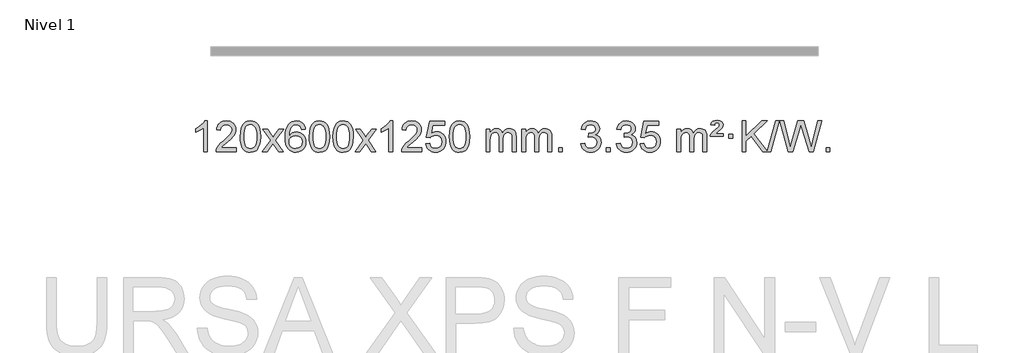
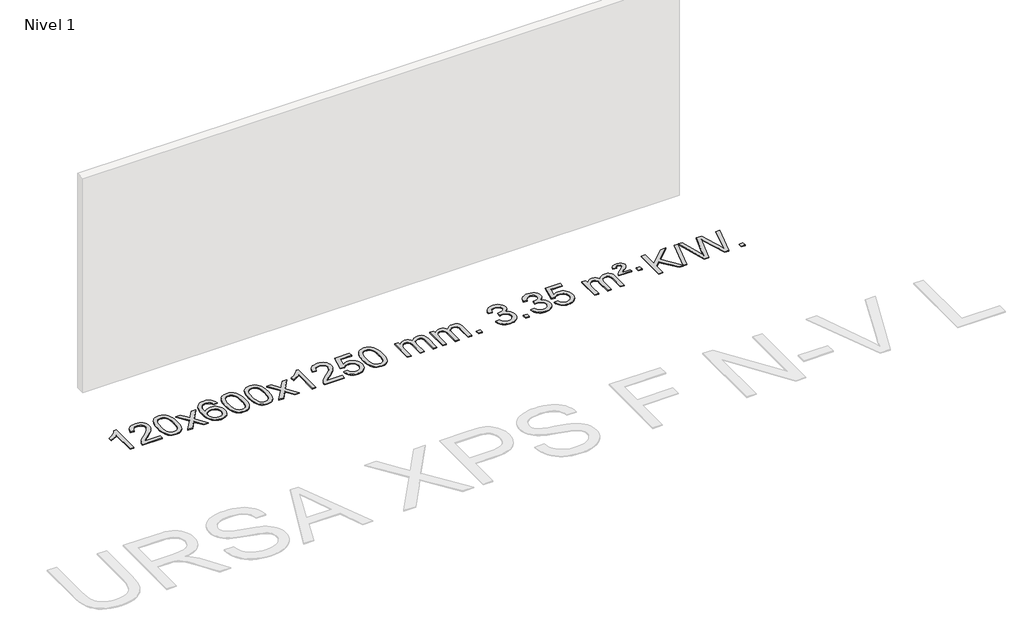
# One storey, part 2 of 9: 1 proxy.
"""IFC4 building model written with IfcOpenShell, lengths in millimetres."""

from ifc_helpers import new_model, si_unit, origin, origin_with_axes, place, context, project, spatial, polyline, outline, extrude, element, save

model = new_model("IFC4")

# Units and contexts
model_context = context("Model", 3, world=origin())
ifc_project = project(units=[si_unit("LENGTHUNIT", "METRE", prefix="MILLI")], contexts=[model_context])

# Site, building, storey
site = spatial("IfcSite", under=ifc_project)
building = spatial("IfcBuilding", under=site)
storey = spatial("IfcBuildingStorey", under=building, Name="Nivel 1", Elevation=0.0)

# Proxy
placement = place(None, origin())
element("IfcBuildingElementProxy", 1, Name="Texto de modelo 1", ObjectType="Texto de modelo 1", at=placement, inside=storey, context=model_context, shape_type="SweptSolid", body=[
    extrude(outline(polyline([(-6575.4615788, -18411.579453), (-6625.6897338, -18411.579453), (-6625.6897338, -18098.4382987), (-6646.6590076, -18115.3976587), (-6673.2691385, -18132.3324932), (-6726.146044, -18157.6918254), (-6726.146044, -18110.2105225), (-6686.6968314, -18088.7507395), (-6652.520594, -18063.219729), (-6625.5793692, -18036.0700378), (-6607.8351943, -18009.7542124), (-6575.4615788, -18009.7542124), (-6575.4615788, -18411.579453)])), origin_with_axes(), (0.0, 0.0, 1.0), 10.0),
    extrude(outline(polyline([(-6198.7504157, -18361.3512979), (-6198.7504157, -18411.579453), (-6462.4482298, -18411.579453), (-6461.3445839, -18393.8965918), (-6457.0526273, -18376.9494945), (-6444.6672667, -18349.8856424), (-6426.5429471, -18323.6311307), (-6400.3252236, -18296.1503456), (-6363.6596514, -18265.4076736), (-6309.4583708, -18217.2641831), (-6276.9376024, -18181.7267824), (-6260.6772182, -18152.884834), (-6255.2570902, -18124.8277005), (-6260.3706499, -18099.6768347), (-6275.7113291, -18078.7688747), (-6299.292565, -18064.6789943), (-6329.1277948, -18059.9823675), (-6360.4590781, -18064.5686297), (-6384.8006034, -18078.3274163), (-6400.5091646, -18100.1796068), (-6405.9415554, -18129.0460807), (-6456.1697105, -18122.7675613), (-6451.8501627, -18096.838012), (-6443.9928164, -18074.1826125), (-6432.5976716, -18054.8013627), (-6417.6647283, -18038.6942627), (-6399.537343, -18026.0329907), (-6378.5588722, -18016.989225), (-6354.729316, -18011.5629655), (-6328.0486743, -18009.7542124), (-6301.1289093, -18011.7653006), (-6277.1705943, -18017.7985654), (-6256.1737295, -18027.8540066), (-6238.1383147, -18041.9316242), (-6223.6529611, -18058.9890861), (-6213.30628, -18077.9840598), (-6207.0982713, -18098.9165453), (-6205.0289351, -18121.7865427), (-6207.2607525, -18145.8092369), (-6213.9562048, -18169.4149983), (-6225.8387933, -18193.4254299), (-6243.6320191, -18218.6621347), (-6271.9957209, -18248.7916701), (-6315.5897374, -18287.4805933), (-6373.3717361, -18335.795762), (-6396.033267, -18361.3512979), (-6198.7504157, -18361.3512979)])), origin_with_axes(), (0.0, 0.0, 1.0), 10.0),
    extrude(outline(polyline([(-6148.5222606, -18213.9041943), (-6144.8311779, -18149.5861588), (-6133.7579299, -18098.2911459), (-6115.4128811, -18059.2343407), (-6103.5548181, -18044.0009605), (-6089.9063961, -18031.6309284), (-6074.4216298, -18022.0598651), (-6057.0545339, -18015.2233914), (-6016.6733536, -18009.7542124), (-5985.722215, -18012.991574), (-5958.0084381, -18022.7036586), (-5934.8318724, -18038.5103217), (-5917.4923677, -18060.0314184), (-5904.3957686, -18087.0830078), (-5893.94792, -18119.4811488), (-5887.1053149, -18160.6226186), (-5884.8244465, -18213.9041943), (-5888.478741, -18277.8543477), (-5899.4416244, -18329.0267333), (-5917.6763087, -18368.1203266), (-5929.5067805, -18383.3996922), (-5943.1460055, -18395.8341036), (-5958.6491659, -18405.4695462), (-5976.071444, -18412.3520052), (-6016.6733536, -18417.8579724), (-6044.3380796, -18415.4667394), (-6068.8635459, -18408.2930405), (-6090.2497526, -18396.3368757), (-6108.4966996, -18379.5982449), (-6126.0078825, -18349.3399508), (-6138.5158704, -18311.6381776), (-6146.0206631, -18266.4929255), (-6148.5222606, -18213.9041943)]), holes=[polyline([(-6098.2941056, -18213.8060924), (-6096.8225776, -18257.4706195), (-6092.4079936, -18292.8148822), (-6085.0503537, -18319.8388804), (-6074.7496579, -18338.5426142), (-6062.290721, -18351.2682656), (-6048.4583579, -18360.3580165), (-6033.2525688, -18365.8118671), (-6016.6733536, -18367.6298173), (-6000.0941383, -18365.8057357), (-5984.8883492, -18360.3334911), (-5971.0559862, -18351.2130833), (-5958.5970493, -18338.4445124), (-5948.2963534, -18319.7101217), (-5940.9387135, -18292.6922549), (-5936.5241295, -18257.3909118), (-5935.0526016, -18213.8060924), (-5936.4750786, -18171.2973278), (-5940.7425098, -18136.5753989), (-5947.854895, -18109.6403055), (-5957.8122343, -18090.4920476), (-5970.0627048, -18077.1440625), (-5984.0544833, -18067.6097875), (-5999.78757, -18061.8892225), (-6017.2619648, -18059.9823675), (-6033.7553409, -18061.6623619), (-6048.7036126, -18066.7023452), (-6062.10678, -18075.1023175), (-6073.9648429, -18086.8622786), (-6084.6088953, -18107.708925), (-6092.2117899, -18135.8151094), (-6096.7735266, -18171.1808319), (-6098.2941056, -18213.8060924)])]), origin_with_axes(), (0.0, 0.0, 1.0), 10.0),
    extrude(outline(polyline([(-5859.7103689, -18411.579453), (-5752.3869282, -18263.2494325), (-5853.4318496, -18116.4890419), (-5793.0011005, -18116.4890419), (-5744.2444734, -18187.122385), (-5721.4848406, -18220.4770192), (-5701.7663657, -18193.2047007), (-5646.2407099, -18116.4890419), (-5585.8099608, -18116.4890419), (-5691.9561791, -18263.2494325), (-5589.7340354, -18411.579453), (-5650.1647845, -18411.579453), (-5711.6746541, -18322.4048574), (-5722.9563686, -18306.1199477), (-5799.2796199, -18411.579453), (-5859.7103689, -18411.579453)])), origin_with_axes(), (0.0, 0.0, 1.0), 10.0),
    extrude(outline(polyline([(-5300.9221437, -18116.4890419), (-5351.1502988, -18122.7675613), (-5359.2437027, -18097.874213), (-5370.1820607, -18080.8780648), (-5392.9662189, -18065.2062918), (-5420.5083176, -18059.9823675), (-5443.8565616, -18063.0235253), (-5465.8313794, -18072.1469988), (-5484.7037258, -18091.3627017), (-5500.1179814, -18117.8134171), (-5510.5290419, -18155.227016), (-5514.3918028, -18207.3313693), (-5494.2441322, -18183.8237098), (-5470.0988106, -18167.2567573), (-5443.3047386, -18157.434308), (-5415.2108169, -18154.1601582), (-5391.077758, -18156.398107), (-5368.8086346, -18163.1119534), (-5348.4034466, -18174.3016975), (-5329.862194, -18189.9673391), (-5314.4540698, -18209.1769106), (-5303.4482668, -18230.9984443), (-5296.844785, -18255.4319401), (-5294.6436244, -18282.4773982), (-5298.7884282, -18318.4439945), (-5311.2228396, -18351.786366), (-5330.9167891, -18380.0642287), (-5356.840207, -18400.8372987), (-5387.815871, -18413.602804), (-5422.6665587, -18417.8579724), (-5452.6090874, -18415.0375437), (-5479.6514797, -18406.5762579), (-5503.7937357, -18392.4741147), (-5525.0358552, -18372.7311143), (-5542.3539001, -18346.5133908), (-5554.7239322, -18312.9870783), (-5562.1459515, -18272.1521768), (-5564.6199579, -18224.0086864), (-5561.8731057, -18170.0342663), (-5553.632549, -18123.9693092), (-5539.8982878, -18085.8138149), (-5520.6703222, -18055.5677835), (-5499.8298072, -18035.5243462), (-5475.6660915, -18021.2076052), (-5448.179175, -18012.6175606), (-5417.3690579, -18009.7542124), (-5394.2354118, -18011.5261773), (-5373.2967949, -18016.8420722), (-5354.5532073, -18025.7018969), (-5338.0046489, -18038.1056515), (-5324.0987094, -18053.6364031), (-5313.2829788, -18071.8772186), (-5305.5574569, -18092.8280983), (-5300.9221437, -18116.4890419)]), holes=[polyline([(-5514.3918028, -18281.6925832), (-5511.485535, -18303.9494439), (-5502.7667318, -18325.2007605), (-5489.2286743, -18343.472233), (-5471.8646442, -18356.7895612), (-5450.9076332, -18364.9197533), (-5426.5906333, -18367.6298173), (-5393.4444655, -18362.0134855), (-5379.5293291, -18354.9930708), (-5367.3861575, -18345.1644901), (-5357.5361171, -18332.9262824), (-5350.500374, -18318.6769865), (-5344.8717794, -18284.1451299), (-5350.4267976, -18250.9989621), (-5357.3705702, -18237.3781312), (-5367.0918519, -18225.725469), (-5379.2718117, -18216.3904634), (-5393.5916183, -18209.7226022), (-5428.6507725, -18204.3883133), (-5461.7478893, -18209.7226022), (-5489.4248781, -18225.725469), (-5500.3479076, -18237.2248471), (-5508.1500716, -18250.3858254), (-5512.83137, -18265.2084042), (-5514.3918028, -18281.6925832)])]), origin_with_axes(), (0.0, 0.0, 1.0), 10.0),
    extrude(outline(polyline([(-5250.6939887, -18213.9041943), (-5247.002906, -18149.5861588), (-5235.9296579, -18098.2911459), (-5217.5846091, -18059.2343407), (-5205.7265461, -18044.0009605), (-5192.0781241, -18031.6309284), (-5176.5933578, -18022.0598651), (-5159.2262619, -18015.2233914), (-5118.8450816, -18009.7542124), (-5087.8939431, -18012.991574), (-5060.1801661, -18022.7036586), (-5037.0036004, -18038.5103217), (-5019.6640957, -18060.0314184), (-5006.5674967, -18087.0830078), (-4996.119648, -18119.4811488), (-4989.2770429, -18160.6226186), (-4986.9961745, -18213.9041943), (-4990.650469, -18277.8543477), (-5001.6133525, -18329.0267333), (-5019.8480367, -18368.1203266), (-5031.6785085, -18383.3996922), (-5045.3177335, -18395.8341036), (-5060.8208939, -18405.4695462), (-5078.2431721, -18412.3520052), (-5118.8450816, -18417.8579724), (-5146.5098076, -18415.4667394), (-5171.035274, -18408.2930405), (-5192.4214806, -18396.3368757), (-5210.6684276, -18379.5982449), (-5228.1796106, -18349.3399508), (-5240.6875984, -18311.6381776), (-5248.1923911, -18266.4929255), (-5250.6939887, -18213.9041943)]), holes=[polyline([(-5200.4658336, -18213.8060924), (-5198.9943056, -18257.4706195), (-5194.5797217, -18292.8148822), (-5187.2220818, -18319.8388804), (-5176.9213859, -18338.5426142), (-5164.462449, -18351.2682656), (-5150.630086, -18360.3580165), (-5135.4242968, -18365.8118671), (-5118.8450816, -18367.6298173), (-5102.2658663, -18365.8057357), (-5087.0600772, -18360.3334911), (-5073.2277142, -18351.2130833), (-5060.7687773, -18338.4445124), (-5050.4680814, -18319.7101217), (-5043.1104415, -18292.6922549), (-5038.6958576, -18257.3909118), (-5037.2243296, -18213.8060924), (-5038.6468066, -18171.2973278), (-5042.9142378, -18136.5753989), (-5050.026623, -18109.6403055), (-5059.9839624, -18090.4920476), (-5072.2344328, -18077.1440625), (-5086.2262114, -18067.6097875), (-5101.959298, -18061.8892225), (-5119.4336928, -18059.9823675), (-5135.9270689, -18061.6623619), (-5150.8753406, -18066.7023452), (-5164.278508, -18075.1023175), (-5176.136571, -18086.8622786), (-5186.7806234, -18107.708925), (-5194.3835179, -18135.8151094), (-5198.9452547, -18171.1808319), (-5200.4658336, -18213.8060924)])]), origin_with_axes(), (0.0, 0.0, 1.0), 10.0),
    extrude(outline(polyline([(-4943.0465388, -18213.9041943), (-4939.3554561, -18149.5861588), (-4928.2822081, -18098.2911459), (-4909.9371593, -18059.2343407), (-4898.0790963, -18044.0009605), (-4884.4306743, -18031.6309284), (-4868.945908, -18022.0598651), (-4851.5788121, -18015.2233914), (-4811.1976318, -18009.7542124), (-4780.2464932, -18012.991574), (-4752.5327163, -18022.7036586), (-4729.3561506, -18038.5103217), (-4712.0166459, -18060.0314184), (-4698.9200468, -18087.0830078), (-4688.4721982, -18119.4811488), (-4681.6295931, -18160.6226186), (-4679.3487247, -18213.9041943), (-4683.0030192, -18277.8543477), (-4693.9659026, -18329.0267333), (-4712.2005869, -18368.1203266), (-4724.0310587, -18383.3996922), (-4737.6702837, -18395.8341036), (-4753.1734441, -18405.4695462), (-4770.5957222, -18412.3520052), (-4811.1976318, -18417.8579724), (-4838.8623578, -18415.4667394), (-4863.3878241, -18408.2930405), (-4884.7740308, -18396.3368757), (-4903.0209778, -18379.5982449), (-4920.5321607, -18349.3399508), (-4933.0401486, -18311.6381776), (-4940.5449413, -18266.4929255), (-4943.0465388, -18213.9041943)]), holes=[polyline([(-4892.8183838, -18213.8060924), (-4891.3468558, -18257.4706195), (-4886.9322718, -18292.8148822), (-4879.5746319, -18319.8388804), (-4869.2739361, -18338.5426142), (-4856.8149992, -18351.2682656), (-4842.9826361, -18360.3580165), (-4827.776847, -18365.8118671), (-4811.1976318, -18367.6298173), (-4794.6184165, -18365.8057357), (-4779.4126274, -18360.3334911), (-4765.5802644, -18351.2130833), (-4753.1213275, -18338.4445124), (-4742.8206316, -18319.7101217), (-4735.4629917, -18292.6922549), (-4731.0484077, -18257.3909118), (-4729.5768798, -18213.8060924), (-4730.9993568, -18171.2973278), (-4735.266788, -18136.5753989), (-4742.3791732, -18109.6403055), (-4752.3365125, -18090.4920476), (-4764.586983, -18077.1440625), (-4778.5787615, -18067.6097875), (-4794.3118482, -18061.8892225), (-4811.786243, -18059.9823675), (-4828.2796191, -18061.6623619), (-4843.2278908, -18066.7023452), (-4856.6310582, -18075.1023175), (-4868.4891211, -18086.8622786), (-4879.1331735, -18107.708925), (-4886.7360681, -18135.8151094), (-4891.2978048, -18171.1808319), (-4892.8183838, -18213.8060924)])]), origin_with_axes(), (0.0, 0.0, 1.0), 10.0),
    extrude(outline(polyline([(-4654.2346472, -18411.579453), (-4546.9112064, -18263.2494325), (-4647.9561278, -18116.4890419), (-4587.5253787, -18116.4890419), (-4538.7687516, -18187.122385), (-4516.0091188, -18220.4770192), (-4496.2906439, -18193.2047007), (-4440.7649881, -18116.4890419), (-4380.334239, -18116.4890419), (-4486.4804574, -18263.2494325), (-4384.2583136, -18411.579453), (-4444.6890627, -18411.579453), (-4506.1989323, -18322.4048574), (-4517.4806468, -18306.1199477), (-4593.8038981, -18411.579453), (-4654.2346472, -18411.579453)])), origin_with_axes(), (0.0, 0.0, 1.0), 10.0),
    extrude(outline(polyline([(-4164.5101352, -18411.579453), (-4214.7382902, -18411.579453), (-4214.7382902, -18098.4382987), (-4235.707564, -18115.3976587), (-4262.317695, -18132.3324932), (-4315.1946004, -18157.6918254), (-4315.1946004, -18110.2105225), (-4275.7453878, -18088.7507395), (-4241.5691504, -18063.219729), (-4214.6279257, -18036.0700378), (-4196.8837508, -18009.7542124), (-4164.5101352, -18009.7542124), (-4164.5101352, -18411.579453)])), origin_with_axes(), (0.0, 0.0, 1.0), 10.0),
    extrude(outline(polyline([(-3787.7989721, -18361.3512979), (-3787.7989721, -18411.579453), (-4051.4967863, -18411.579453), (-4050.3931403, -18393.8965918), (-4046.1011837, -18376.9494945), (-4033.7158232, -18349.8856424), (-4015.5915035, -18323.6311307), (-3989.37378, -18296.1503456), (-3952.7082078, -18265.4076736), (-3898.5069272, -18217.2641831), (-3865.9861588, -18181.7267824), (-3849.7257746, -18152.884834), (-3844.3056466, -18124.8277005), (-3849.4192063, -18099.6768347), (-3864.7598855, -18078.7688747), (-3888.3411214, -18064.6789943), (-3918.1763512, -18059.9823675), (-3949.5076345, -18064.5686297), (-3973.8491598, -18078.3274163), (-3989.557721, -18100.1796068), (-3994.9901118, -18129.0460807), (-4045.2182669, -18122.7675613), (-4040.8987191, -18096.838012), (-4033.0413728, -18074.1826125), (-4021.646228, -18054.8013627), (-4006.7132847, -18038.6942627), (-3988.5858994, -18026.0329907), (-3967.6074286, -18016.989225), (-3943.7778724, -18011.5629655), (-3917.0972307, -18009.7542124), (-3890.1774657, -18011.7653006), (-3866.2191508, -18017.7985654), (-3845.2222859, -18027.8540066), (-3827.1868711, -18041.9316242), (-3812.7015175, -18058.9890861), (-3802.3548364, -18077.9840598), (-3796.1468277, -18098.9165453), (-3794.0774915, -18121.7865427), (-3796.3093089, -18145.8092369), (-3803.0047612, -18169.4149983), (-3814.8873497, -18193.4254299), (-3832.6805755, -18218.6621347), (-3861.0442774, -18248.7916701), (-3904.6382938, -18287.4805933), (-3962.4202925, -18335.795762), (-3985.0818234, -18361.3512979), (-3787.7989721, -18361.3512979)])), origin_with_axes(), (0.0, 0.0, 1.0), 10.0),
    extrude(outline(polyline([(-3737.570817, -18304.8446235), (-3687.342662, -18298.5661041), (-3678.1210866, -18328.7201649), (-3662.0323807, -18350.3148381), (-3639.1501206, -18363.3010725), (-3609.5478827, -18367.6298173), (-3590.418019, -18366.1245668), (-3573.5444981, -18361.6088153), (-3558.9273202, -18354.0825628), (-3546.5664851, -18343.5458094), (-3536.7379045, -18330.519721), (-3529.7174898, -18315.5254641), (-3524.101158, -18279.6324441), (-3529.3618705, -18245.8363514), (-3535.9377612, -18231.9181493), (-3545.1440081, -18219.9865099), (-3557.0112681, -18210.4154467), (-3571.5701981, -18203.5789729), (-3608.7630678, -18198.1097939), (-3633.1291186, -18200.2925604), (-3652.8598563, -18206.8408599), (-3668.6174684, -18216.8717757), (-3681.0641426, -18229.5023908), (-3731.2922977, -18223.2238715), (-3687.342662, -18016.0327318), (-3492.708561, -18016.0327318), (-3492.708561, -18066.2608869), (-3646.7284897, -18066.2608869), (-3668.2127982, -18176.919791), (-3650.4870174, -18164.2155994), (-3632.332041, -18155.1411769), (-3613.7478688, -18149.6965234), (-3594.734501, -18147.8816388), (-3570.273414, -18150.1318504), (-3547.8050212, -18156.882485), (-3527.3293225, -18168.1335427), (-3508.8463179, -18183.8850234), (-3493.5454926, -18203.1743027), (-3482.6163316, -18225.038756), (-3476.0588351, -18249.4783832), (-3473.8730029, -18276.4931844), (-3475.8411716, -18302.5147042), (-3481.7456776, -18326.7213394), (-3491.586521, -18349.1130902), (-3505.3637017, -18369.6899565), (-3526.2348735, -18390.7634634), (-3550.5886616, -18405.8159684), (-3578.4250659, -18414.8474714), (-3609.7440864, -18417.8579724), (-3635.6644387, -18415.9235262), (-3659.077062, -18410.1201877), (-3679.9819564, -18400.447957), (-3698.3791218, -18386.9068338), (-3713.6860785, -18370.1712688), (-3725.3203466, -18350.915712), (-3733.2819261, -18329.1401636), (-3737.570817, -18304.8446235)])), origin_with_axes(), (0.0, 0.0, 1.0), 10.0),
    extrude(outline(polyline([(-3429.9233672, -18213.9041943), (-3426.2322845, -18149.5861588), (-3415.1590365, -18098.2911459), (-3396.8139876, -18059.2343407), (-3384.9559247, -18044.0009605), (-3371.3075026, -18031.6309284), (-3355.8227363, -18022.0598651), (-3338.4556405, -18015.2233914), (-3298.0744601, -18009.7542124), (-3267.1233216, -18012.991574), (-3239.4095446, -18022.7036586), (-3216.2329789, -18038.5103217), (-3198.8934742, -18060.0314184), (-3185.7968752, -18087.0830078), (-3175.3490265, -18119.4811488), (-3168.5064214, -18160.6226186), (-3166.2255531, -18213.9041943), (-3169.8798475, -18277.8543477), (-3180.842731, -18329.0267333), (-3199.0774152, -18368.1203266), (-3210.9078871, -18383.3996922), (-3224.547112, -18395.8341036), (-3240.0502724, -18405.4695462), (-3257.4725506, -18412.3520052), (-3298.0744601, -18417.8579724), (-3325.7391862, -18415.4667394), (-3350.2646525, -18408.2930405), (-3371.6508592, -18396.3368757), (-3389.8978061, -18379.5982449), (-3407.4089891, -18349.3399508), (-3419.9169769, -18311.6381776), (-3427.4217696, -18266.4929255), (-3429.9233672, -18213.9041943)]), holes=[polyline([(-3379.6952121, -18213.8060924), (-3378.2236842, -18257.4706195), (-3373.8091002, -18292.8148822), (-3366.4514603, -18319.8388804), (-3356.1507644, -18338.5426142), (-3343.6918275, -18351.2682656), (-3329.8594645, -18360.3580165), (-3314.6536754, -18365.8118671), (-3298.0744601, -18367.6298173), (-3281.4952449, -18365.8057357), (-3266.2894558, -18360.3334911), (-3252.4570927, -18351.2130833), (-3239.9981558, -18338.4445124), (-3229.69746, -18319.7101217), (-3222.3398201, -18292.6922549), (-3217.9252361, -18257.3909118), (-3216.4537081, -18213.8060924), (-3217.8761852, -18171.2973278), (-3222.1436163, -18136.5753989), (-3229.2560016, -18109.6403055), (-3239.2133409, -18090.4920476), (-3251.4638113, -18077.1440625), (-3265.4555899, -18067.6097875), (-3281.1886766, -18061.8892225), (-3298.6630713, -18059.9823675), (-3315.1564474, -18061.6623619), (-3330.1047192, -18066.7023452), (-3343.5078865, -18075.1023175), (-3355.3659495, -18086.8622786), (-3366.0100019, -18107.708925), (-3373.6128965, -18135.8151094), (-3378.1746332, -18171.1808319), (-3379.6952121, -18213.8060924)])]), origin_with_axes(), (0.0, 0.0, 1.0), 10.0),
    extrude(outline(polyline([(-2952.755894, -18411.579453), (-2952.755894, -18116.4890419), (-2902.5277389, -18116.4890419), (-2902.5277389, -18165.0494653), (-2887.4200517, -18142.7435537), (-2867.9958823, -18125.2691589), (-2844.9174185, -18113.9751816), (-2818.8468478, -18110.2105225), (-2790.9123416, -18114.048758), (-2768.5205908, -18125.5634645), (-2751.7942228, -18143.9943524), (-2740.8558648, -18168.5811324), (-2722.5476041, -18143.0439906), (-2701.6641696, -18124.803175), (-2678.205561, -18113.8586857), (-2652.1717785, -18110.2105225), (-2632.0639617, -18111.7280358), (-2614.414823, -18116.2805755), (-2599.2243623, -18123.8681416), (-2586.4925796, -18134.4907342), (-2576.4279413, -18148.2709806), (-2569.238914, -18165.3315082), (-2564.9254976, -18185.6723168), (-2563.4876922, -18209.2934066), (-2563.4876922, -18411.579453), (-2613.7158472, -18411.579453), (-2613.7158472, -18230.875817), (-2614.8808069, -18205.8230531), (-2618.3756858, -18188.9372695), (-2624.9239854, -18177.3735121), (-2635.2492067, -18168.2868268), (-2648.5297467, -18162.4007149), (-2663.9440023, -18160.4386776), (-2691.1550072, -18165.4663982), (-2713.3382915, -18180.54956), (-2721.9436645, -18192.1194488), (-2728.0903595, -18206.7182326), (-2733.0077155, -18245.0024856), (-2733.0077155, -18411.579453), (-2783.2358706, -18411.579453), (-2783.2358706, -18225.2840106), (-2786.1421384, -18196.8835206), (-2794.8609417, -18176.6254854), (-2810.2016209, -18164.4853796), (-2832.9735164, -18160.4386776), (-2852.3241093, -18163.1364789), (-2870.1541233, -18171.2298828), (-2884.8694032, -18184.5226856), (-2894.8757934, -18202.8186835), (-2900.6147525, -18228.2025411), (-2902.5277389, -18262.7589232), (-2902.5277389, -18411.579453), (-2952.755894, -18411.579453)])), origin_with_axes(), (0.0, 0.0, 1.0), 10.0),
    extrude(outline(polyline([(-2488.1454596, -18411.579453), (-2488.1454596, -18116.4890419), (-2437.9173045, -18116.4890419), (-2437.9173045, -18165.0494653), (-2422.8096172, -18142.7435537), (-2403.3854479, -18125.2691589), (-2380.306984, -18113.9751816), (-2354.2364133, -18110.2105225), (-2326.3019071, -18114.048758), (-2303.9101564, -18125.5634645), (-2287.1837883, -18143.9943524), (-2276.2454303, -18168.5811324), (-2257.9371697, -18143.0439906), (-2237.0537351, -18124.803175), (-2213.5951266, -18113.8586857), (-2187.561344, -18110.2105225), (-2167.4535273, -18111.7280358), (-2149.8043886, -18116.2805755), (-2134.6139279, -18123.8681416), (-2121.8821452, -18134.4907342), (-2111.8175069, -18148.2709806), (-2104.6284796, -18165.3315082), (-2100.3150632, -18185.6723168), (-2098.8772577, -18209.2934066), (-2098.8772577, -18411.579453), (-2149.1054128, -18411.579453), (-2149.1054128, -18230.875817), (-2150.2703724, -18205.8230531), (-2153.7652514, -18188.9372695), (-2160.3135509, -18177.3735121), (-2170.6387722, -18168.2868268), (-2183.9193123, -18162.4007149), (-2199.3335679, -18160.4386776), (-2226.5445728, -18165.4663982), (-2248.7278571, -18180.54956), (-2257.3332301, -18192.1194488), (-2263.4799251, -18206.7182326), (-2268.3972811, -18245.0024856), (-2268.3972811, -18411.579453), (-2318.6254362, -18411.579453), (-2318.6254362, -18225.2840106), (-2321.5317039, -18196.8835206), (-2330.2505072, -18176.6254854), (-2345.5911864, -18164.4853796), (-2368.3630819, -18160.4386776), (-2387.7136749, -18163.1364789), (-2405.5436889, -18171.2298828), (-2420.2589687, -18184.5226856), (-2430.265359, -18202.8186835), (-2436.0043181, -18228.2025411), (-2437.9173045, -18262.7589232), (-2437.9173045, -18411.579453), (-2488.1454596, -18411.579453)])), origin_with_axes(), (0.0, 0.0, 1.0), 10.0),
    extrude(outline(polyline([(-2010.9779863, -18411.579453), (-2010.9779863, -18361.3512979), (-1960.7498313, -18361.3512979), (-1960.7498313, -18411.579453), (-2010.9779863, -18411.579453)])), origin_with_axes(), (0.0, 0.0, 1.0), 10.0),
    extrude(outline(polyline([(-1722.1660947, -18304.8446235), (-1671.9379396, -18298.5661041), (-1660.6930133, -18330.1303793), (-1644.2241626, -18351.4430095), (-1621.7220472, -18363.5831154), (-1592.3773268, -18367.6298173), (-1557.943572, -18362.0625364), (-1543.6697506, -18355.1034354), (-1531.3579665, -18345.3606939), (-1514.3618183, -18320.4428201), (-1508.6964356, -18290.2274455), (-1514.3127674, -18261.5449126), (-1531.1617628, -18238.2825078), (-1556.6682478, -18222.8682522), (-1588.2570484, -18217.730167), (-1623.4756181, -18223.2238715), (-1617.8838118, -18172.9957164), (-1609.8394588, -18173.5843276), (-1579.7467116, -18169.979084), (-1552.842275, -18159.1633534), (-1541.769027, -18150.9841103), (-1533.8595641, -18140.8673555), (-1529.1138863, -18128.8130888), (-1527.5319937, -18114.8213102), (-1532.118256, -18093.1285352), (-1545.8770426, -18075.5315131), (-1566.8708418, -18063.8696539), (-1593.1621417, -18059.9823675), (-1619.5024925, -18063.9064421), (-1641.035852, -18075.6786659), (-1656.7566759, -18095.299039), (-1665.6594202, -18122.7675613), (-1715.8875753, -18116.4890419), (-1709.9340183, -18092.5092672), (-1701.0987191, -18071.3867093), (-1689.3816775, -18053.1213683), (-1674.7828937, -18037.713244), (-1657.76222, -18025.4811677), (-1638.7795091, -18016.7439703), (-1617.8347608, -18011.5016519), (-1594.9279753, -18009.7542124), (-1563.3514373, -18013.2000404), (-1534.3500734, -18023.5375245), (-1509.8981834, -18039.8469596), (-1491.9700675, -18061.2086408), (-1480.9703959, -18085.8199463), (-1477.3038387, -18111.8782543), (-1480.7864549, -18136.1584659), (-1491.2343036, -18158.1823347), (-1508.5002319, -18176.9443165), (-1532.437087, -18191.4388671), (-1500.9954392, -18204.1430586), (-1477.6962461, -18225.77452), (-1463.2752719, -18255.1560286), (-1458.4682805, -18291.1103623), (-1460.8717762, -18316.5923218), (-1468.0822633, -18340.0631931), (-1480.0997418, -18361.5229762), (-1496.9242117, -18380.971671), (-1517.4213702, -18397.1094278), (-1540.4569145, -18408.636397), (-1566.0308445, -18415.5525785), (-1594.1431603, -18417.8579724), (-1619.5515435, -18415.8898037), (-1642.7035837, -18409.9852977), (-1663.599281, -18400.1444543), (-1682.2386355, -18386.3672736), (-1697.8674889, -18369.4630959), (-1709.7316832, -18350.2412617), (-1717.8312185, -18328.7017708), (-1722.1660947, -18304.8446235)])), origin_with_axes(), (0.0, 0.0, 1.0), 10.0),
    extrude(outline(polyline([(-1389.4045673, -18411.579453), (-1389.4045673, -18361.3512979), (-1339.1764122, -18361.3512979), (-1339.1764122, -18411.579453), (-1389.4045673, -18411.579453)])), origin_with_axes(), (0.0, 0.0, 1.0), 10.0),
    extrude(outline(polyline([(-1257.5556602, -18304.8446235), (-1207.3275051, -18298.5661041), (-1196.0825788, -18330.1303793), (-1179.6137282, -18351.4430095), (-1157.1116128, -18363.5831154), (-1127.7668923, -18367.6298173), (-1093.3331376, -18362.0625364), (-1079.0593162, -18355.1034354), (-1066.7475321, -18345.3606939), (-1049.7513839, -18320.4428201), (-1044.0860012, -18290.2274455), (-1049.7023329, -18261.5449126), (-1066.5513283, -18238.2825078), (-1092.0578133, -18222.8682522), (-1123.646614, -18217.730167), (-1158.8651836, -18223.2238715), (-1153.2733773, -18172.9957164), (-1145.2290244, -18173.5843276), (-1115.1362772, -18169.979084), (-1088.2318406, -18159.1633534), (-1077.1585925, -18150.9841103), (-1069.2491296, -18140.8673555), (-1064.5034519, -18128.8130888), (-1062.9215593, -18114.8213102), (-1067.5078215, -18093.1285352), (-1081.2666081, -18075.5315131), (-1102.2604073, -18063.8696539), (-1128.5517072, -18059.9823675), (-1154.8920581, -18063.9064421), (-1176.4254176, -18075.6786659), (-1192.1462415, -18095.299039), (-1201.0489858, -18122.7675613), (-1251.2771408, -18116.4890419), (-1245.3235839, -18092.5092672), (-1236.4882846, -18071.3867093), (-1224.7712431, -18053.1213683), (-1210.1724592, -18037.713244), (-1193.1517856, -18025.4811677), (-1174.1690746, -18016.7439703), (-1153.2243264, -18011.5016519), (-1130.3175408, -18009.7542124), (-1098.7410029, -18013.2000404), (-1069.7396389, -18023.5375245), (-1045.287749, -18039.8469596), (-1027.3596331, -18061.2086408), (-1016.3599614, -18085.8199463), (-1012.6934042, -18111.8782543), (-1016.1760205, -18136.1584659), (-1026.6238691, -18158.1823347), (-1043.8897974, -18176.9443165), (-1067.8266526, -18191.4388671), (-1036.3850047, -18204.1430586), (-1013.0858117, -18225.77452), (-998.6648375, -18255.1560286), (-993.8578461, -18291.1103623), (-996.2613418, -18316.5923218), (-1003.4718289, -18340.0631931), (-1015.4893074, -18361.5229762), (-1032.3137773, -18380.971671), (-1052.8109358, -18397.1094278), (-1075.8464801, -18408.636397), (-1101.4204101, -18415.5525785), (-1129.5327259, -18417.8579724), (-1154.941109, -18415.8898037), (-1178.0931493, -18409.9852977), (-1198.9888466, -18400.1444543), (-1217.628201, -18386.3672736), (-1233.2570544, -18369.4630959), (-1245.1212488, -18350.2412617), (-1253.220784, -18328.7017708), (-1257.5556602, -18304.8446235)])), origin_with_axes(), (0.0, 0.0, 1.0), 10.0),
    extrude(outline(polyline([(-949.9082104, -18304.8446235), (-899.6800553, -18298.5661041), (-890.45848, -18328.7201649), (-874.369774, -18350.3148381), (-851.4875139, -18363.3010725), (-821.8852761, -18367.6298173), (-802.7554123, -18366.1245668), (-785.8818915, -18361.6088153), (-771.2647135, -18354.0825628), (-758.9038785, -18343.5458094), (-749.0752979, -18330.519721), (-742.0548831, -18315.5254641), (-736.4385513, -18279.6324441), (-741.6992639, -18245.8363514), (-748.2751545, -18231.9181493), (-757.4814014, -18219.9865099), (-769.3486615, -18210.4154467), (-783.9075914, -18203.5789729), (-821.1004611, -18198.1097939), (-845.466512, -18200.2925604), (-865.1972496, -18206.8408599), (-880.9548618, -18216.8717757), (-893.4015359, -18229.5023908), (-943.629691, -18223.2238715), (-899.6800553, -18016.0327318), (-705.0459544, -18016.0327318), (-705.0459544, -18066.2608869), (-859.065883, -18066.2608869), (-880.5501916, -18176.919791), (-862.8244108, -18164.2155994), (-844.6694343, -18155.1411769), (-826.0852622, -18149.6965234), (-807.0718944, -18147.8816388), (-782.6108074, -18150.1318504), (-760.1424145, -18156.882485), (-739.6667158, -18168.1335427), (-721.1837113, -18183.8850234), (-705.8828859, -18203.1743027), (-694.953725, -18225.038756), (-688.3962284, -18249.4783832), (-686.2103962, -18276.4931844), (-688.1785649, -18302.5147042), (-694.0830709, -18326.7213394), (-703.9239143, -18349.1130902), (-717.701095, -18369.6899565), (-738.5722669, -18390.7634634), (-762.926055, -18405.8159684), (-790.7624593, -18414.8474714), (-822.0814798, -18417.8579724), (-848.001832, -18415.9235262), (-871.4144553, -18410.1201877), (-892.3193497, -18400.447957), (-910.7165152, -18386.9068338), (-926.0234719, -18370.1712688), (-937.6577399, -18350.915712), (-945.6193195, -18329.1401636), (-949.9082104, -18304.8446235)])), origin_with_axes(), (0.0, 0.0, 1.0), 10.0),
    extrude(outline(polyline([(-472.7407372, -18411.579453), (-472.7407372, -18116.4890419), (-422.5125821, -18116.4890419), (-422.5125821, -18165.0494653), (-407.4048948, -18142.7435537), (-387.9807255, -18125.2691589), (-364.9022617, -18113.9751816), (-338.8316909, -18110.2105225), (-310.8971848, -18114.048758), (-288.505434, -18125.5634645), (-271.7790659, -18143.9943524), (-260.840708, -18168.5811324), (-242.5324473, -18143.0439906), (-221.6490127, -18124.803175), (-198.1904042, -18113.8586857), (-172.1566217, -18110.2105225), (-152.0488049, -18111.7280358), (-134.3996662, -18116.2805755), (-119.2092055, -18123.8681416), (-106.4774228, -18134.4907342), (-96.4127845, -18148.2709806), (-89.2237572, -18165.3315082), (-84.9103408, -18185.6723168), (-83.4725353, -18209.2934066), (-83.4725353, -18411.579453), (-133.7006904, -18411.579453), (-133.7006904, -18230.875817), (-134.8656501, -18205.8230531), (-138.360529, -18188.9372695), (-144.9088285, -18177.3735121), (-155.2340499, -18168.2868268), (-168.5145899, -18162.4007149), (-183.9288455, -18160.4386776), (-211.1398504, -18165.4663982), (-233.3231347, -18180.54956), (-241.9285077, -18192.1194488), (-248.0752027, -18206.7182326), (-252.9925587, -18245.0024856), (-252.9925587, -18411.579453), (-303.2207138, -18411.579453), (-303.2207138, -18225.2840106), (-306.1269816, -18196.8835206), (-314.8457848, -18176.6254854), (-330.186464, -18164.4853796), (-352.9583595, -18160.4386776), (-372.3089525, -18163.1364789), (-390.1389665, -18171.2298828), (-404.8542463, -18184.5226856), (-414.8606366, -18202.8186835), (-420.5995957, -18228.2025411), (-422.5125821, -18262.7589232), (-422.5125821, -18411.579453), (-472.7407372, -18411.579453)])), origin_with_axes(), (0.0, 0.0, 1.0), 10.0),
    extrude(outline(polyline([(-39.5228997, -18210.6668327), (-35.6969269, -18194.8479069), (-27.3582683, -18178.9799302), (-5.8494344, -18153.8413272), (26.1072483, -18126.1030247), (70.2530877, -18088.726214), (77.3899984, -18077.1992448), (79.7689686, -18065.3779701), (77.8805077, -18053.2869152), (72.215125, -18043.5012541), (62.8463969, -18037.026531), (49.8478997, -18034.8682899), (37.4134883, -18036.4869707), (28.5597949, -18041.343013), (22.1341227, -18050.8098431), (16.9837748, -18066.2608869), (-33.2443803, -18059.9823675), (-22.4041241, -18034.7701881), (-5.775858, -18017.2099542), (17.9893189, -18006.9092583), (50.2403072, -18003.475693), (86.0229626, -18007.6082341), (110.7691581, -18020.0058573), (125.1901323, -18038.3386434), (129.9971237, -18060.2766731), (125.9013708, -18083.1834586), (113.6141122, -18104.8149199), (93.0862969, -18124.6314968), (56.6169284, -18152.6886303), (31.0123416, -18179.2742358), (129.9971237, -18179.2742358), (129.9971237, -18210.6668327), (-39.5228997, -18210.6668327)])), origin_with_axes(), (0.0, 0.0, 1.0), 10.0),
    extrude(outline(polyline([(205.3393563, -18235.7809102), (205.3393563, -18185.5527552), (255.5675114, -18185.5527552), (255.5675114, -18235.7809102), (205.3393563, -18235.7809102)])), origin_with_axes(), (0.0, 0.0, 1.0), 10.0),
    extrude(outline(polyline([(646.2091394, -18411.579453), (492.7778219, -18208.9009991), (425.0875348, -18273.4520265), (425.0875348, -18411.579453), (374.8593797, -18411.579453), (374.8593797, -18009.7542124), (425.0875348, -18009.7542124), (425.0875348, -18206.4484525), (631.1014521, -18009.7542124), (701.3423877, -18009.7542124), (528.388799, -18174.9577537), (703.0424089, -18405.5349332), (814.3557366, -18009.7542124), (859.6787984, -18009.7542124), (746.6654495, -18411.579453), (707.6209071, -18411.579453), (701.3423877, -18411.579453), (646.2091394, -18411.579453)])), origin_with_axes(), (0.0, 0.0, 1.0), 10.0),
    extrude(outline(polyline([(974.1636753, -18411.579453), (864.5838917, -18009.7542124), (916.3816766, -18009.7542124), (979.9516854, -18273.844434), (999.5720585, -18355.3670841), (1020.5658576, -18283.2622131), (1100.2245723, -18009.7542124), (1174.8800919, -18009.7542124), (1232.7601925, -18208.0180823), (1257.5554389, -18281.5944814), (1275.8269114, -18355.3670841), (1294.8586732, -18276.1988788), (1359.0172932, -18009.7542124), (1410.8150781, -18009.7542124), (1301.1371926, -18411.579453), (1247.4754723, -18411.579453), (1151.1394405, -18101.5775584), (1137.6994849, -18058.3146358), (1122.5917976, -18110.4067263), (1034.7906281, -18411.579453), (974.1636753, -18411.579453)])), origin_with_axes(), (0.0, 0.0, 1.0), 10.0),
    extrude(outline(polyline([(1467.3217526, -18411.579453), (1467.3217526, -18361.3512979), (1517.5499077, -18361.3512979), (1517.5499077, -18411.579453), (1467.3217526, -18411.579453)])), origin_with_axes(), (0.0, 0.0, 1.0), 10.0),
])

save(model, "model.ifc")
